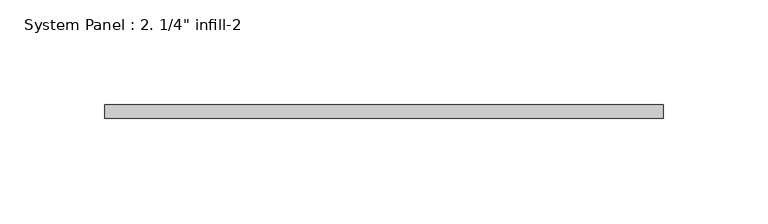
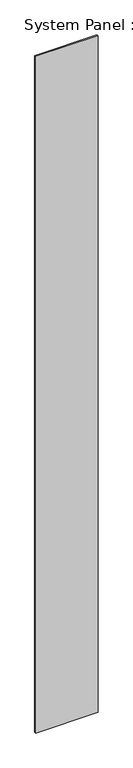
"""IFC4 building model written with IfcOpenShell, lengths in millimetres: plate geometry."""

from ifc_helpers import new_model, si_unit, origin, origin_with_axes, place, context, project, spatial, polyline, outline, extrude, source, transform, mapped, element, save


def plate_ed8e7b23(model_context):
    return source(origin(), model_context, "Body", "SweptSolid", [
        extrude(outline(polyline([(133.35, 0.0), (-133.35, 0.0), (-133.35, 6.35), (133.35, 6.35), (133.35, 0.0)])), origin_with_axes(), (0.0, 0.0, 1.0), 3048.0),
    ])


if __name__ == "__main__":
    model = new_model("IFC4")
    model_context = context("Model", 3, world=origin())
    ifc_project = project(units=[si_unit("LENGTHUNIT", "METRE", prefix="MILLI")], contexts=[model_context])
    site = spatial("IfcSite", under=ifc_project)
    building = spatial("IfcBuilding", under=site)
    placement = place(None, origin())
    plate_shape = plate_ed8e7b23(model_context)
    element("IfcPlate", 1, ObjectType="System Panel : 2. 1/4\" infill-2", at=placement, inside=building, context=model_context, shape_type="MappedRepresentation", body=[
        mapped(plate_shape, transform((0.0, 0.0, 0.0), x_axis=(1.0, 0.0, 0.0), y_axis=(0.0, 1.0, 0.0), z_axis=(0.0, 0.0, 1.0))),
    ])
    save(model, "model.ifc")
